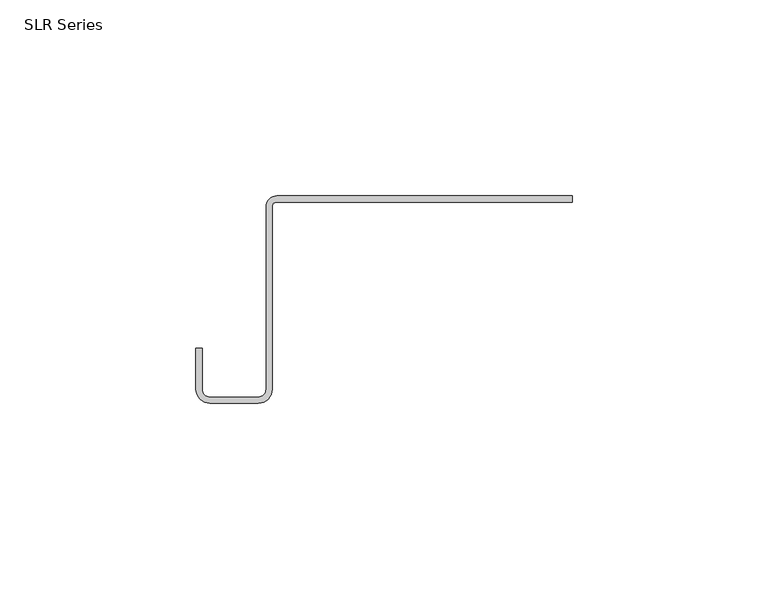
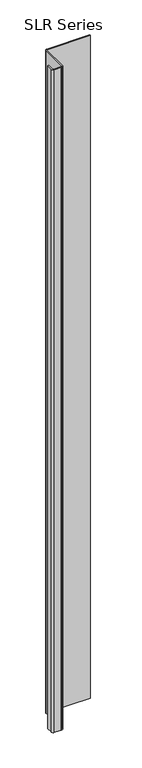
"""IFC4 building model written with IfcOpenShell, lengths in millimetres: plate geometry, SLR Series."""

from ifc_helpers import new_model, si_unit, point, frame_2d, origin, origin_with_axes, place, context, project, spatial, polyline, circle_curve, trimmed, segment, composite_curve, outline, extrude, source, transform, mapped, element, save


def slr_series_be10bfe4(model_context):
    return source(origin(), model_context, "Body", "SweptSolid", [
        extrude(outline(composite_curve([segment(trimmed(circle_curve(frame_2d((-39.3827779, -49.322367)), 3.5323605), [point((-35.8504175, -49.322367))], [point((-39.3827779, -52.8547275))], False, "CARTESIAN"), True, "CONTINUOUS"), segment(polyline([(-39.3827779, -52.8547275), (-51.7686279, -52.8547275)]), True, "CONTINUOUS"), segment(trimmed(circle_curve(frame_2d((-51.7686279, -49.322367)), 3.5323605), [point((-51.7686279, -52.8547275))], [point((-55.3009883, -49.322367))], False, "CARTESIAN"), True, "CONTINUOUS"), segment(polyline([(-55.3009883, -49.322367), (-55.3009883, -38.9158598), (-53.7479706, -38.9158598), (-53.7479706, -49.322367)]), True, "CONTINUOUS"), segment(trimmed(circle_curve(frame_2d((-51.7686279, -49.322367)), 1.9793427), [point((-53.7479706, -49.322367))], [point((-51.7686279, -51.3017098))], True, "CARTESIAN"), True, "CONTINUOUS"), segment(polyline([(-51.7686279, -51.3017098), (-39.3827779, -51.3017098)]), True, "CONTINUOUS"), segment(trimmed(circle_curve(frame_2d((-39.3827779, -49.322367)), 1.9793427), [point((-39.3827779, -51.3017098))], [point((-37.4034352, -49.322367))], True, "CARTESIAN"), True, "CONTINUOUS"), segment(polyline([(-37.4034352, -49.322367), (-37.4034352, -2.7245977)]), True, "CONTINUOUS"), segment(trimmed(circle_curve(frame_2d((-34.6781791, -2.7245977)), 2.7252562), [point((-37.4034352, -2.7245977))], [point((-34.7380842, 0.0))], False, "CARTESIAN"), True, "CONTINUOUS"), segment(polyline([(-34.7380842, 0.0), (40.6542607, 0.0), (40.6542607, -1.5875), (-34.7380842, -1.5875)]), True, "CONTINUOUS"), segment(trimmed(circle_curve(frame_2d((-34.7380842, -2.6998332)), 1.1123332), [point((-34.7380842, -1.5875))], [point((-35.8504175, -2.6998332))], True, "CARTESIAN"), True, "CONTINUOUS"), segment(polyline([(-35.8504175, -2.6998332), (-35.8504175, -49.322367)]), True, "CONTINUOUS")], self_intersect=False)), origin_with_axes(), (0.0, 0.0, 1.0), 1228.3559792),
    ])


if __name__ == "__main__":
    model = new_model("IFC4")
    model_context = context("Model", 3, world=origin())
    ifc_project = project(units=[si_unit("LENGTHUNIT", "METRE", prefix="MILLI")], contexts=[model_context])
    site = spatial("IfcSite", under=ifc_project)
    building = spatial("IfcBuilding", under=site)
    placement = place(None, origin())
    slr_series_shape = slr_series_be10bfe4(model_context)
    element("IfcPlate", 1, ObjectType="SLR Series", at=placement, inside=building, context=model_context, shape_type="MappedRepresentation", body=[
        mapped(slr_series_shape, transform((0.0, 0.0, 0.0), x_axis=(1.0, 0.0, 0.0), y_axis=(0.0, 1.0, 0.0), z_axis=(0.0, 0.0, 1.0))),
    ])
    save(model, "model.ifc")
